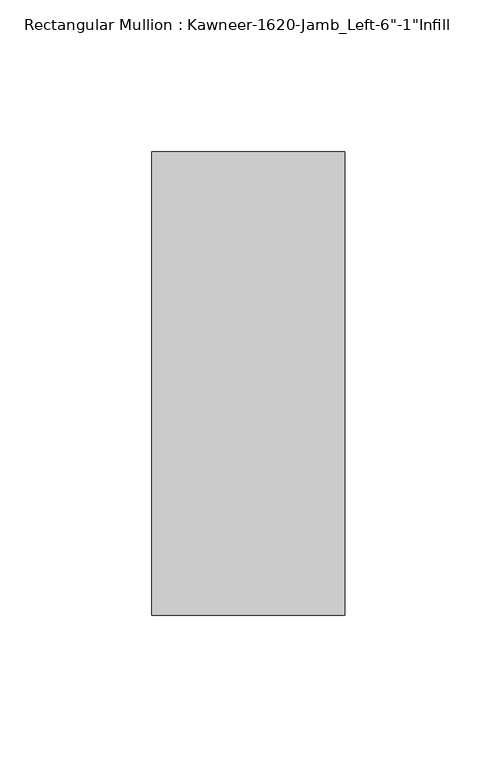
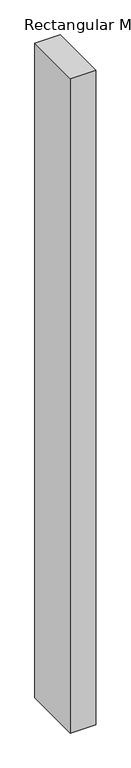
"""IFC4 building model written with IfcOpenShell, lengths in millimetres: member geometry."""

from ifc_helpers import new_model, si_unit, frame, origin, place, context, project, spatial, polyline, outline, extrude, source, transform, mapped, element, save


def member_d2e5fe24(model_context):
    return source(origin(), model_context, "Body", "SweptSolid", [
        extrude(outline(polyline([(22.225, -38.1), (-41.275, -38.1), (-41.275, 114.3), (22.225, 114.3), (22.225, -38.1)])), frame((0.0, 0.0, -1720.85), z_axis=(0.0, 0.0, 1.0), x_axis=(1.0, 0.0, 0.0)), (0.0, 0.0, 1.0), 1720.85),
    ])


if __name__ == "__main__":
    model = new_model("IFC4")
    model_context = context("Model", 3, world=origin())
    ifc_project = project(units=[si_unit("LENGTHUNIT", "METRE", prefix="MILLI")], contexts=[model_context])
    site = spatial("IfcSite", under=ifc_project)
    building = spatial("IfcBuilding", under=site)
    placement = place(None, origin())
    member_shape = member_d2e5fe24(model_context)
    element("IfcMember", 1, ObjectType="Rectangular Mullion : Kawneer-1620-Jamb_Left-6\"-1\"Infill", at=placement, inside=building, context=model_context, shape_type="MappedRepresentation", body=[
        mapped(member_shape, transform((0.0, 0.0, 0.0), x_axis=(1.0, 0.0, 0.0), y_axis=(0.0, 1.0, 0.0), z_axis=(0.0, 0.0, 1.0))),
    ])
    save(model, "model.ifc")
